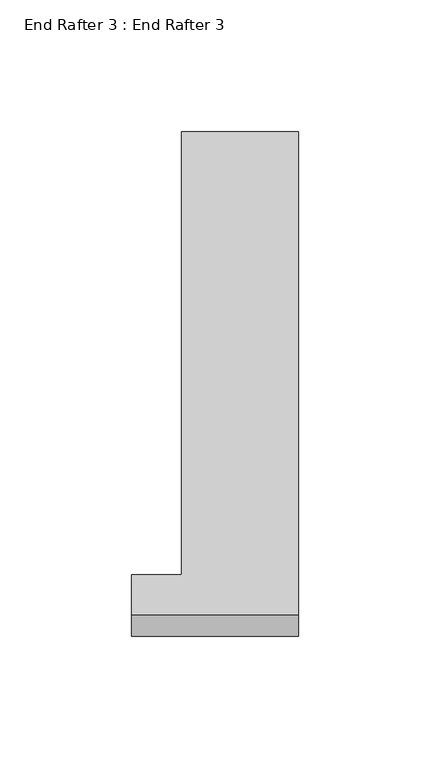
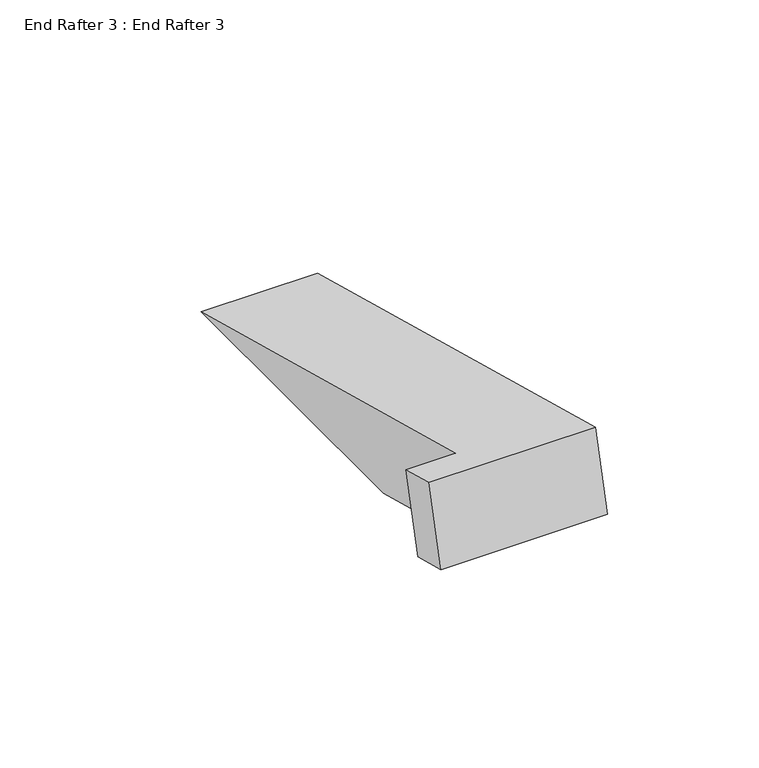
"""IFC4 building model written with IfcOpenShell, lengths in millimetres: proxy geometry, End Rafter 3 : End Rafter 3."""

from ifc_helpers import new_model, si_unit, origin, place, context, project, spatial, faceted_brep, source, transform, mapped, element, save


def end_rafter_3_end_rafter_3_bcf1c578(model_context):
    return source(origin(), model_context, "Body", "Brep", [
        faceted_brep([(-306.7645484, 560.8696087, 952.5348742), (-306.7645484, 377.2271207, 1001.7417305), (-306.7645484, 369.1425162, 971.5695759), (-306.7645484, 440.1809902, 952.5348742), (-351.2272484, 560.8696087, 952.5348742), (-351.2272484, 440.1809902, 952.5348742), (-351.2272484, 384.4765887, 967.4608236), (-351.2272484, 392.5611932, 997.6329782), (-370.2645484, 392.5611932, 997.6329782), (-370.2645484, 377.2593222, 1001.7331021), (-370.2645484, 369.1341229, 971.5382516), (-370.2645484, 384.4765887, 967.4608236)], [[[0, 1, 2, 3]], [[4, 5, 6, 7]], [[1, 0, 4, 7, 8, 9]], [[2, 1, 9, 10]], [[3, 2, 10, 11, 6, 5]], [[0, 3, 5, 4]], [[8, 7, 6, 11]], [[9, 8, 11, 10]]]),
    ])


if __name__ == "__main__":
    model = new_model("IFC4")
    model_context = context("Model", 3, world=origin())
    ifc_project = project(units=[si_unit("LENGTHUNIT", "METRE", prefix="MILLI")], contexts=[model_context])
    site = spatial("IfcSite", under=ifc_project)
    building = spatial("IfcBuilding", under=site)
    placement = place(None, origin())
    end_rafter_3_end_rafter_3_shape = end_rafter_3_end_rafter_3_bcf1c578(model_context)
    element("IfcBuildingElementProxy", 1, Name="End Rafter 3 : End Rafter 3", ObjectType="End Rafter 3 : End Rafter 3", at=placement, inside=building, context=model_context, shape_type="MappedRepresentation", body=[
        mapped(end_rafter_3_end_rafter_3_shape, transform((0.0, 0.0, 0.0), x_axis=(1.0, 0.0, 0.0), y_axis=(0.0, 1.0, 0.0), z_axis=(0.0, 0.0, 1.0))),
    ])
    save(model, "model.ifc")
